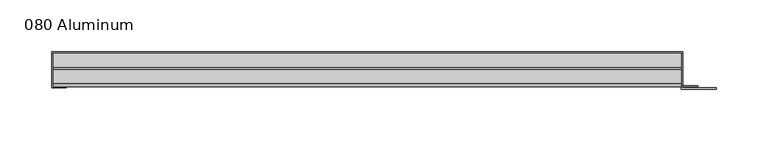
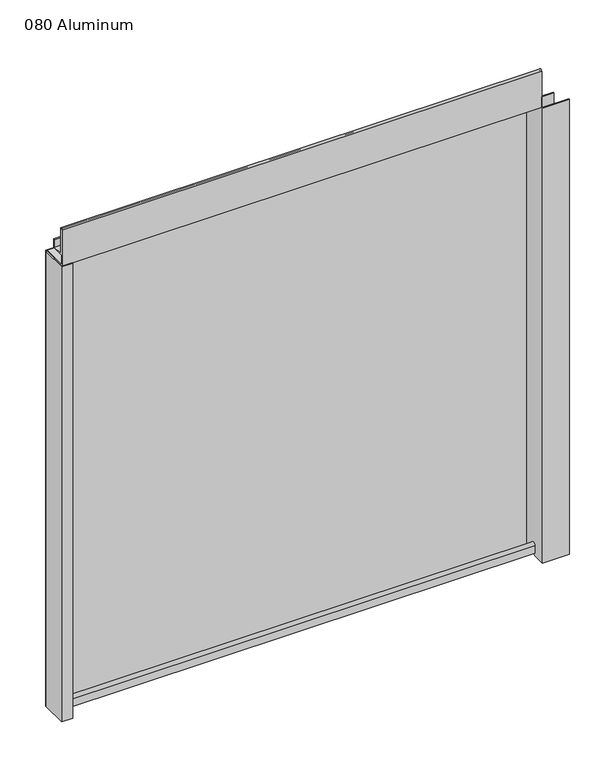
"""IFC4 building model written with IfcOpenShell, lengths in millimetres: plate geometry, 080 Aluminum."""

from ifc_helpers import new_model, si_unit, point, frame, frame_2d, origin, origin_with_axes, place, context, project, spatial, polyline, circle_curve, trimmed, segment, composite_curve, outline, extrude, source, transform, mapped, element, save


def plate_080_aluminum_0a7d59a5(model_context):
    return source(origin(), model_context, "Body", "SweptSolid", [
        extrude(outline(polyline([(-309.88, 2.5660257), (-296.9894994, 2.5660257), (-296.9894994, 1.2699999), (-311.1499999, 1.2699999), (-311.1499999, 34.7980001), (-309.88, 34.7980001), (-309.88, 2.5660257)])), origin_with_axes(), (0.0, 0.0, 1.0), 608.33),
        extrude(outline(composite_curve([segment(trimmed(circle_curve(frame_2d((19.8514743, 13.124237)), 3.175), [point((16.6765477, 13.1458337))], [point((23.0264743, 13.124237))], False, "CARTESIAN"), True, "CONTINUOUS"), segment(polyline([(23.0264743, 13.124237), (23.0264743, 1.2693678), (34.7980002, 1.2693678), (34.7980002, 0.0), (21.7564743, 0.0), (21.7564743, 13.124237)]), True, "CONTINUOUS"), segment(trimmed(circle_curve(frame_2d((19.8514743, 13.124237)), 1.905), [point((21.7564743, 13.124237))], [point((17.9464915, 13.1323356))], True, "CARTESIAN"), True, "CONTINUOUS"), segment(polyline([(17.9464915, 13.1323356), (17.9464915, 2.786437), (16.6765477, 2.786437), (16.6765477, 13.1458337)]), True, "CONTINUOUS")], self_intersect=False)), frame((-309.88, 0.0, 0.0), z_axis=(1.0, 0.0, 0.0), x_axis=(0.0, 1.0, 0.0)), (0.0, 0.0, 1.0), 607.06),
        extrude(outline(composite_curve([segment(trimmed(circle_curve(frame_2d((3.7084742, 656.7932001)), 1.6509999), [point((2.0574743, 656.7932001))], [point((5.3594742, 656.7932001))], False, "CARTESIAN"), True, "CONTINUOUS"), segment(polyline([(5.3594742, 656.7932001), (5.3594742, 623.57), (19.2164743, 623.57), (19.2164743, 633.6538), (20.4864742, 633.6538), (20.4864742, 622.3), (4.0894742, 622.3), (4.0894742, 656.7932001)]), True, "CONTINUOUS"), segment(trimmed(circle_curve(frame_2d((3.7084742, 656.7932001)), 0.3809999), [point((4.0894742, 656.7932001))], [point((3.3274743, 656.7932001))], True, "CARTESIAN"), True, "CONTINUOUS"), segment(polyline([(3.3274743, 656.7932001), (3.3274743, 609.6000001), (34.7980002, 609.6000001), (34.7980002, 608.33), (2.0574743, 608.33), (2.0574743, 656.7932001)]), True, "CONTINUOUS")], self_intersect=False)), frame((-309.88, 0.0, 0.0), z_axis=(1.0, 0.0, 0.0), x_axis=(0.0, 1.0, 0.0)), (0.0, 0.0, 1.0), 607.06),
        extrude(outline(polyline([(-311.15, 36.068), (298.45, 36.068), (298.45, 34.7980001), (-311.15, 34.7980001), (-311.15, 36.068)])), origin_with_axes(), (0.0, 0.0, 1.0), 609.6),
        extrude(outline(polyline([(298.45, 1.2699999), (330.9620856, 1.2699999), (330.9620856, 0.0), (297.1800001, 0.0), (297.1800001, 34.7980002), (298.45, 34.7980002), (298.45, 1.2699999)])), origin_with_axes(), (0.0, 0.0, 1.0), 608.33),
        extrude(outline(polyline([(297.18, 3.3274743), (312.9279999, 3.3274743), (312.9279999, 2.0574743), (297.18, 2.0574743), (297.18, 3.3274743)])), origin_with_axes(), (0.0, 0.0, 1.0), 622.3),
    ])


if __name__ == "__main__":
    model = new_model("IFC4")
    model_context = context("Model", 3, world=origin())
    ifc_project = project(units=[si_unit("LENGTHUNIT", "METRE", prefix="MILLI")], contexts=[model_context])
    site = spatial("IfcSite", under=ifc_project)
    building = spatial("IfcBuilding", under=site)
    placement = place(None, origin())
    plate_080_aluminum_shape = plate_080_aluminum_0a7d59a5(model_context)
    element("IfcPlate", 1, ObjectType="080 Aluminum", at=placement, inside=building, context=model_context, shape_type="MappedRepresentation", body=[
        mapped(plate_080_aluminum_shape, transform((0.0, 0.0, 0.0), x_axis=(1.0, 0.0, 0.0), y_axis=(0.0, 1.0, 0.0), z_axis=(0.0, 0.0, 1.0))),
    ])
    save(model, "model.ifc")
